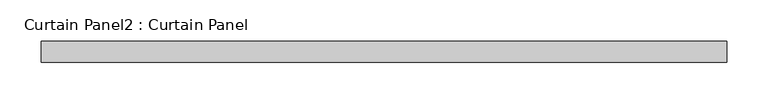
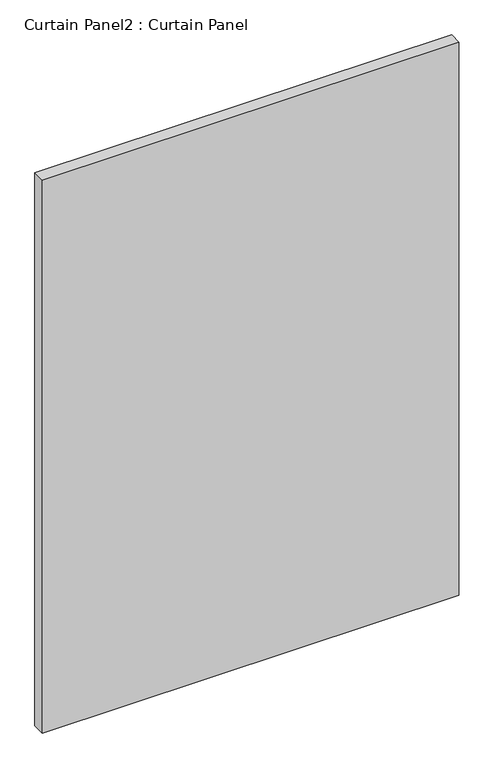
"""IFC4 building model written with IfcOpenShell, lengths in millimetres: plate geometry, Curtain Panel2 : Curtain Panel."""

from ifc_helpers import new_model, si_unit, frame, origin, place, context, project, spatial, polyline, outline, extrude, source, transform, mapped, element, save


def curtain_panel2_curtain_panel_8fc541a0(model_context):
    return source(origin(), model_context, "Body", "SweptSolid", [
        extrude(outline(polyline([(-24364.4343575, 9468.7682302), (-25192.8848953, 9468.7682302), (-25192.8848953, 9494.1682302), (-24364.4343575, 9494.1682302), (-24364.4343575, 9468.7682302)])), frame((0.0, 0.0, 1247.4552347), z_axis=(0.0, 0.0, 1.0), x_axis=(1.0, 0.0, 0.0)), (0.0, 0.0, 1.0), 1162.3588569),
    ])


if __name__ == "__main__":
    model = new_model("IFC4")
    model_context = context("Model", 3, world=origin())
    ifc_project = project(units=[si_unit("LENGTHUNIT", "METRE", prefix="MILLI")], contexts=[model_context])
    site = spatial("IfcSite", under=ifc_project)
    building = spatial("IfcBuilding", under=site)
    placement = place(None, origin())
    curtain_panel2_curtain_panel_shape = curtain_panel2_curtain_panel_8fc541a0(model_context)
    element("IfcPlate", 1, ObjectType="Curtain Panel2 : Curtain Panel", at=placement, inside=building, context=model_context, shape_type="MappedRepresentation", body=[
        mapped(curtain_panel2_curtain_panel_shape, transform((0.0, 0.0, 0.0), x_axis=(1.0, 0.0, 0.0), y_axis=(0.0, 1.0, 0.0), z_axis=(0.0, 0.0, 1.0))),
    ])
    save(model, "model.ifc")
